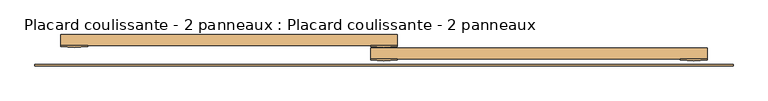
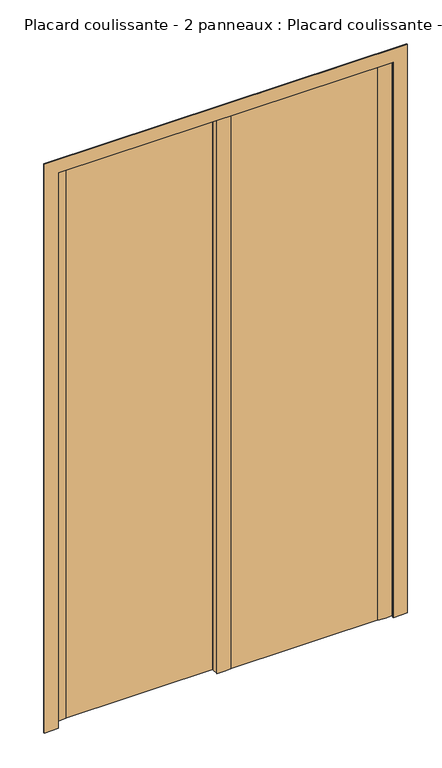
"""IFC4 building model written with IfcOpenShell, lengths in millimetres: door geometry, Placard coulissante - 2 panneaux : Placard coulissante - 2 panneaux."""

import ifcopenshell
import ifcopenshell.guid

model = None  # the IFC model being written
_history = None  # IfcOwnerHistory: only IFC2X3 demands one
_inside = {}  # id of a spatial element -> (the spatial element, [elements in it])
_under = {}  # id of a project, library or spatial element -> (it, [spatial elements below it])
_declared = {}  # id of a project -> (the project, [libraries it declares])
_typed = {}  # id of a type object -> (the type object, [elements of that type])
_made_of = {}  # id of a material, layer set ... -> (it, [elements and type objects made of it])


def new_model(schema):
    """Start an empty IFC model of exactly this schema.

    Asked for "IFC4X3", IfcOpenShell would pick the latest addendum, in which some entities
    have other attributes; the version numbers below select the first issue.
    IFC2X3 requires an IfcOwnerHistory on every rooted entity: one is made here for all.
    """
    global model, _history
    if schema == "IFC4X3":
        model = ifcopenshell.file(schema_version=(4, 3, 0, 0))
    else:
        model = ifcopenshell.file(schema=schema)
    _inside.clear()
    _under.clear()
    _declared.clear()
    _typed.clear()
    _made_of.clear()
    _history = None
    if model.schema == "IFC2X3":
        org = make("IfcOrganization", Name="unknown")
        user = make(
            "IfcPersonAndOrganization",
            ThePerson=make("IfcPerson", FamilyName="unknown"),
            TheOrganization=org,
        )
        app = make(
            "IfcApplication",
            ApplicationDeveloper=org,
            Version="unknown",
            ApplicationFullName="unknown",
            ApplicationIdentifier="unknown",
        )
        _history = make(
            "IfcOwnerHistory",
            OwningUser=user,
            OwningApplication=app,
            ChangeAction="ADDED",
            CreationDate=0,
        )
    return model


def make(cls, **values):
    """One entity of the class cls with the attributes given. An attribute that is None is left unset."""
    return model.create_entity(
        cls, **{name: value for name, value in values.items() if value is not None}
    )


def rooted(cls, **values):
    """An entity with a GlobalId (a new one), such as an element, a storey or a relation."""
    return make(cls, GlobalId=ifcopenshell.guid.new(), OwnerHistory=_history, **values)


def si_unit(unit_type, name, prefix=None):
    """IfcSIUnit, for example si_unit("LENGTHUNIT", "METRE", prefix="MILLI")."""
    return make("IfcSIUnit", UnitType=unit_type, Prefix=prefix, Name=name)


def assignment(units):
    """IfcUnitAssignment: the units of a project."""
    return None if units is None else make("IfcUnitAssignment", Units=units)


def point(xyz):
    """IfcCartesianPoint."""
    return None if xyz is None else make("IfcCartesianPoint", Coordinates=xyz)


def direction(xyz):
    """IfcDirection."""
    return None if xyz is None else make("IfcDirection", DirectionRatios=xyz)


def frame(location, z_axis=None, x_axis=None):
    """IfcAxis2Placement3D, a coordinate frame: its origin and axes. An axis left out is left unset."""
    return make(
        "IfcAxis2Placement3D",
        Location=point(location),
        Axis=direction(z_axis),
        RefDirection=direction(x_axis),
    )


def frame_2d(location, x_axis=None):
    """IfcAxis2Placement2D, a coordinate frame in the plane: its origin and x axis."""
    return make(
        "IfcAxis2Placement2D", Location=point(location), RefDirection=direction(x_axis)
    )


def origin():
    """The frame at (0, 0, 0) with its axes left unset."""
    return frame((0.0, 0.0, 0.0))


def origin_with_axes():
    """The frame at (0, 0, 0) with the z axis (0, 0, 1) and the x axis (1, 0, 0) written out."""
    return frame((0.0, 0.0, 0.0), z_axis=(0.0, 0.0, 1.0), x_axis=(1.0, 0.0, 0.0))


def place(relative_to, where):
    """IfcLocalPlacement: puts the frame where relative to a parent placement (None: the world)."""
    return make(
        "IfcLocalPlacement", PlacementRelTo=relative_to, RelativePlacement=where
    )


def context(
    kind, dimensions, precision=None, world=None, true_north=None, identifier=None
):
    """IfcGeometricRepresentationContext, for example the 3D "Model" context."""
    return make(
        "IfcGeometricRepresentationContext",
        ContextIdentifier=identifier,
        ContextType=kind,
        CoordinateSpaceDimension=dimensions,
        Precision=precision,
        WorldCoordinateSystem=world,
        TrueNorth=true_north,
    )


def project(units=None, contexts=None):
    """IfcProject with its units and contexts."""
    return rooted(
        "IfcProject",
        Name="project",
        RepresentationContexts=contexts,
        UnitsInContext=assignment(units),
    )


def spatial(cls, under=None, at=None, **own):
    """A site, building, storey or space (cls), placed at a placement, below another one or the project."""
    s = rooted(cls, ObjectPlacement=at, **own)
    if under is not None:
        _under.setdefault(under.id(), (under, []))[1].append(s)
    return s


def polyline(points):
    """IfcPolyline through the points."""
    return make("IfcPolyline", Points=[point(p) for p in points])


def circle_curve(where, radius):
    """IfcCircle in the frame where."""
    return make("IfcCircle", Position=where, Radius=radius)


def trimmed(basis, trim1, trim2, sense, master):
    """IfcTrimmedCurve: the piece of a basis curve between two trims."""
    return make(
        "IfcTrimmedCurve",
        BasisCurve=basis,
        Trim1=trim1,
        Trim2=trim2,
        SenseAgreement=sense,
        MasterRepresentation=master,
    )


def segment(curve, same_sense, transition):
    """IfcCompositeCurveSegment."""
    return make(
        "IfcCompositeCurveSegment",
        Transition=transition,
        SameSense=same_sense,
        ParentCurve=curve,
    )


def composite_curve(segments, self_intersect=None):
    """IfcCompositeCurve: segments joined end to end."""
    return make("IfcCompositeCurve", Segments=segments, SelfIntersect=self_intersect)


def outline(outer, holes=None, kind="AREA"):
    """IfcArbitraryClosedProfileDef: a profile drawn as a closed curve; with holes, ...WithVoids."""
    if holes is None:
        return make("IfcArbitraryClosedProfileDef", ProfileType=kind, OuterCurve=outer)
    return make(
        "IfcArbitraryProfileDefWithVoids",
        ProfileType=kind,
        OuterCurve=outer,
        InnerCurves=holes,
    )


def extrude(swept, where, along, depth):
    """IfcExtrudedAreaSolid: the profile swept, set in the frame where, extruded along a direction by depth."""
    return make(
        "IfcExtrudedAreaSolid",
        SweptArea=swept,
        Position=where,
        ExtrudedDirection=direction(along),
        Depth=depth,
    )


def shape(context_of_items, identifier, shape_type, items):
    """IfcShapeRepresentation: the items that make up one representation, for example the "Body"."""
    return make(
        "IfcShapeRepresentation",
        ContextOfItems=context_of_items,
        RepresentationIdentifier=identifier,
        RepresentationType=shape_type,
        Items=items,
    )


def source(mapping_origin, context_of_items, identifier, shape_type, items):
    """IfcRepresentationMap: a shape defined once, which mapped items show again and again."""
    return make(
        "IfcRepresentationMap",
        MappingOrigin=mapping_origin,
        MappedRepresentation=shape(context_of_items, identifier, shape_type, items),
    )


def transform(
    local_origin,
    x_axis=None,
    y_axis=None,
    z_axis=None,
    scale=None,
    scale2=None,
    scale3=None,
    uniform=True,
):
    """IfcCartesianTransformationOperator3D, or its non-uniform kind. x_axis, y_axis, z_axis: its Axis1, 2, 3."""
    if uniform:
        return make(
            "IfcCartesianTransformationOperator3D",
            Axis1=direction(x_axis),
            Axis2=direction(y_axis),
            LocalOrigin=point(local_origin),
            Scale=scale,
            Axis3=direction(z_axis),
        )
    return make(
        "IfcCartesianTransformationOperator3DnonUniform",
        Axis1=direction(x_axis),
        Axis2=direction(y_axis),
        LocalOrigin=point(local_origin),
        Scale=scale,
        Axis3=direction(z_axis),
        Scale2=scale2,
        Scale3=scale3,
    )


def mapped(mapping_source, mapping_target):
    """IfcMappedItem: shows the shape of a source again, moved by a transform."""
    return make(
        "IfcMappedItem", MappingSource=mapping_source, MappingTarget=mapping_target
    )


def made_of(thing, what):
    """Note that an element or type object is made of a material, layer set ...; save() writes the relation."""
    if what is not None:
        _made_of.setdefault(what.id(), (what, []))[1].append(thing)
    return thing


def element(
    cls,
    number,
    at=None,
    inside=None,
    cuts=None,
    type_object=None,
    material=None,
    context=None,
    identifier="Body",
    shape_type=None,
    held_by="IfcProductDefinitionShape",
    body=None,
    shapes=None,
    **own,
):
    """One element of the class cls, such as IfcWall. Its Tag is "e" and its number.

    at: its placement. inside: the storey or other place that contains it. cuts: it is an
    opening in that element (IfcRelVoidsElement). A single representation is given by context,
    identifier, shape_type and body (its items); several are given by shapes. held_by: the class
    of the entity that holds the representations. save() writes the other relations.
    """
    e = rooted(cls, Tag="e%d" % number, ObjectPlacement=at, **own)
    if body is not None:
        shapes = [shape(context, identifier, shape_type, body)]
    if shapes is not None:
        e.Representation = make(held_by, Representations=shapes)
    if inside is not None:
        _inside.setdefault(inside.id(), (inside, []))[1].append(e)
    if cuts is not None:
        rooted(
            "IfcRelVoidsElement", RelatingBuildingElement=cuts, RelatedOpeningElement=e
        )
    if type_object is not None:
        _typed.setdefault(type_object.id(), (type_object, []))[1].append(e)
    return made_of(e, material)


def aggregate(whole, parts):
    """IfcRelAggregates: a whole, such as a stair, and the parts it consists of."""
    return rooted("IfcRelAggregates", RelatingObject=whole, RelatedObjects=parts)


def save(model, path):
    """Write the relations noted so far, then the file.

    IfcRelAggregates (storeys below a building ...), IfcRelContainedInSpatialStructure (elements
    in a storey), IfcRelDefinesByType, IfcRelAssociatesMaterial and IfcRelDeclares: one each for
    every whole, place, type object, material and project.
    """
    for whole, parts in _under.values():
        aggregate(whole, parts)
    for where, things in _inside.values():
        rooted(
            "IfcRelContainedInSpatialStructure",
            RelatedElements=things,
            RelatingStructure=where,
        )
    for kind, things in _typed.values():
        rooted("IfcRelDefinesByType", RelatedObjects=things, RelatingType=kind)
    for what, things in _made_of.values():
        rooted("IfcRelAssociatesMaterial", RelatedObjects=things, RelatingMaterial=what)
    for by, libraries in _declared.values():
        rooted("IfcRelDeclares", RelatingContext=by, RelatedDefinitions=libraries)
    model.write(path)


def placard_coulissante_2_panneaux_placard_coulissante_2_474f9c45(model_context):
    return source(origin(), model_context, "Body", "SweptSolid", [
        extrude(outline(composite_curve([segment(polyline([(600.0, -25.0), (600.0, -27.0)]), True, "CONTINUOUS"), segment(trimmed(circle_curve(frame_2d((575.0, 186.8603852)), 215.3166607), [point((600.0, -27.0))], [point((550.0, -27.0))], False, "CARTESIAN"), True, "CONTINUOUS"), segment(polyline([(550.0, -27.0), (550.0, -25.0), (600.0, -25.0)]), True, "CONTINUOUS")], self_intersect=False)), origin_with_axes(), (0.0, 0.0, 1.0), 2100.0),
        extrude(outline(composite_curve([segment(polyline([(25.0, -25.0), (25.0, -27.0)]), True, "CONTINUOUS"), segment(trimmed(circle_curve(frame_2d((0.0, 186.8603852)), 215.3166607), [point((25.0, -27.0))], [point((-25.0, -27.0))], False, "CARTESIAN"), True, "CONTINUOUS"), segment(polyline([(-25.0, -27.0), (-25.0, -25.0), (25.0, -25.0)]), True, "CONTINUOUS")], self_intersect=False)), origin_with_axes(), (0.0, 0.0, 1.0), 2100.0),
        extrude(outline(composite_curve([segment(polyline([(25.0, 0.0), (25.0, -2.0)]), True, "CONTINUOUS"), segment(trimmed(circle_curve(frame_2d((0.0, 211.8603852)), 215.3166607), [point((25.0, -2.0))], [point((-25.0, -2.0))], False, "CARTESIAN"), True, "CONTINUOUS"), segment(polyline([(-25.0, -2.0), (-25.0, 0.0), (25.0, 0.0)]), True, "CONTINUOUS")], self_intersect=False)), origin_with_axes(), (0.0, 0.0, 1.0), 2100.0),
        extrude(outline(composite_curve([segment(polyline([(-550.0, 0.0), (-550.0, -2.0)]), True, "CONTINUOUS"), segment(trimmed(circle_curve(frame_2d((-575.0, 211.8603852)), 215.3166607), [point((-550.0, -2.0))], [point((-600.0, -2.0))], False, "CARTESIAN"), True, "CONTINUOUS"), segment(polyline([(-600.0, -2.0), (-600.0, 0.0), (-550.0, 0.0)]), True, "CONTINUOUS")], self_intersect=False)), origin_with_axes(), (0.0, 0.0, 1.0), 2100.0),
        extrude(outline(polyline([(0.0, -648.0), (0.0, -598.0), (2098.0, -598.0), (2098.0, 598.0), (0.0, 598.0), (0.0, 648.0), (2148.0, 648.0), (2148.0, -648.0), (0.0, -648.0)])), frame((0.0, -38.0, 0.0), z_axis=(0.0, 1.0, 0.0), x_axis=(0.0, 0.0, 1.0)), (0.0, 0.0, 1.0), 3.0),
        extrude(outline(polyline([(600.0, -25.0), (-25.0, -25.0), (-25.0, -5.0), (600.0, -5.0), (600.0, -25.0)])), origin_with_axes(), (0.0, 0.0, 1.0), 2100.0),
        extrude(outline(polyline([(25.0, 0.0), (-600.0, 0.0), (-600.0, 20.0), (25.0, 20.0), (25.0, 0.0)])), origin_with_axes(), (0.0, 0.0, 1.0), 2100.0),
    ])


if __name__ == "__main__":
    model = new_model("IFC4")
    model_context = context("Model", 3, world=origin())
    ifc_project = project(units=[si_unit("LENGTHUNIT", "METRE", prefix="MILLI")], contexts=[model_context])
    site = spatial("IfcSite", under=ifc_project)
    building = spatial("IfcBuilding", under=site)
    placement = place(None, origin())
    placard_coulissante_2_panneaux_placard_coulissante_2_shape = placard_coulissante_2_panneaux_placard_coulissante_2_474f9c45(model_context)
    element("IfcDoor", 1, ObjectType="Placard coulissante - 2 panneaux : Placard coulissante - 2 panneaux", at=placement, inside=building, context=model_context, shape_type="MappedRepresentation", body=[
        mapped(placard_coulissante_2_panneaux_placard_coulissante_2_shape, transform((0.0, 0.0, 0.0), x_axis=(1.0, 0.0, 0.0), y_axis=(0.0, 1.0, 0.0), z_axis=(0.0, 0.0, 1.0))),
    ])
    save(model, "model.ifc")
